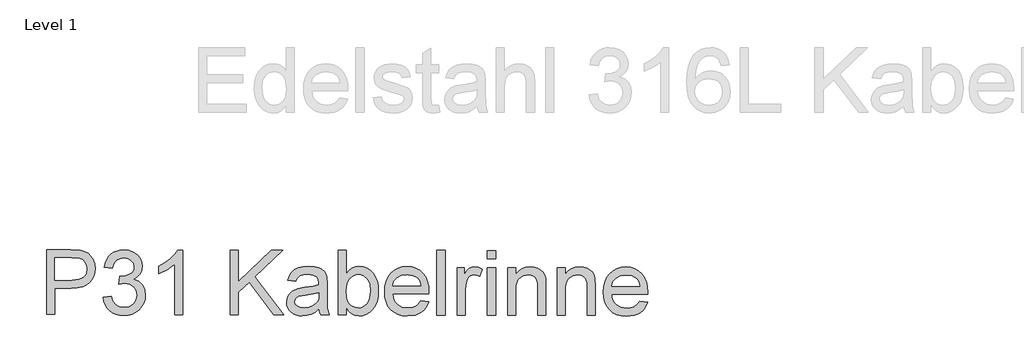
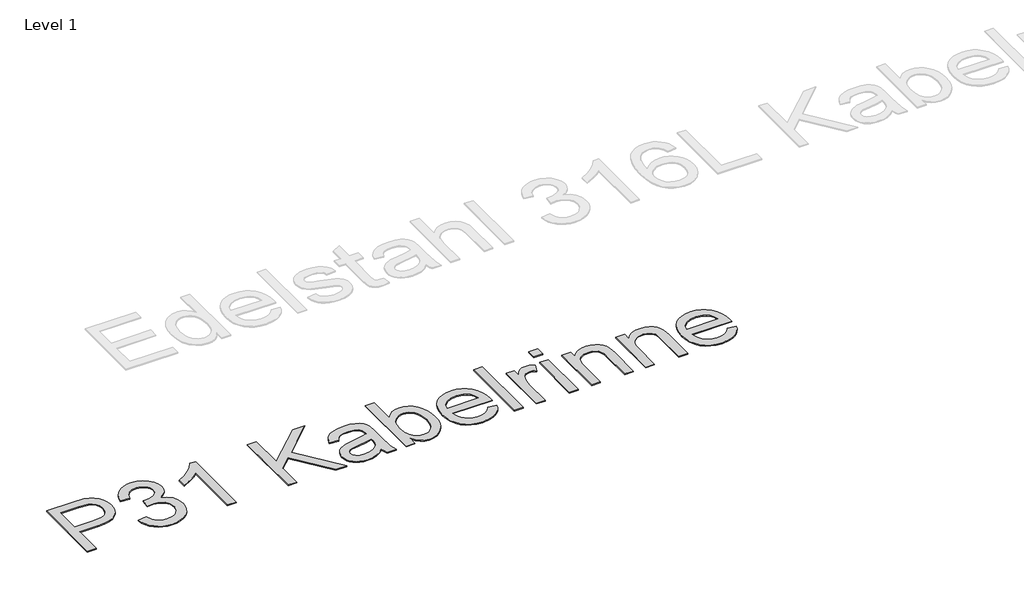
# One storey, part 11 of 15: 1 proxy.
"""IFC4 building model written with IfcOpenShell, lengths in millimetres."""

import ifcopenshell
import ifcopenshell.guid

model = None  # the IFC model being written
_history = None  # IfcOwnerHistory: only IFC2X3 demands one
_inside = {}  # id of a spatial element -> (the spatial element, [elements in it])
_under = {}  # id of a project, library or spatial element -> (it, [spatial elements below it])
_declared = {}  # id of a project -> (the project, [libraries it declares])
_typed = {}  # id of a type object -> (the type object, [elements of that type])
_made_of = {}  # id of a material, layer set ... -> (it, [elements and type objects made of it])


def new_model(schema):
    """Start an empty IFC model of exactly this schema.

    Asked for "IFC4X3", IfcOpenShell would pick the latest addendum, in which some entities
    have other attributes; the version numbers below select the first issue.
    IFC2X3 requires an IfcOwnerHistory on every rooted entity: one is made here for all.
    """
    global model, _history
    if schema == "IFC4X3":
        model = ifcopenshell.file(schema_version=(4, 3, 0, 0))
    else:
        model = ifcopenshell.file(schema=schema)
    _inside.clear()
    _under.clear()
    _declared.clear()
    _typed.clear()
    _made_of.clear()
    _history = None
    if model.schema == "IFC2X3":
        org = make("IfcOrganization", Name="unknown")
        user = make(
            "IfcPersonAndOrganization",
            ThePerson=make("IfcPerson", FamilyName="unknown"),
            TheOrganization=org,
        )
        app = make(
            "IfcApplication",
            ApplicationDeveloper=org,
            Version="unknown",
            ApplicationFullName="unknown",
            ApplicationIdentifier="unknown",
        )
        _history = make(
            "IfcOwnerHistory",
            OwningUser=user,
            OwningApplication=app,
            ChangeAction="ADDED",
            CreationDate=0,
        )
    return model


def make(cls, **values):
    """One entity of the class cls with the attributes given. An attribute that is None is left unset."""
    return model.create_entity(
        cls, **{name: value for name, value in values.items() if value is not None}
    )


def rooted(cls, **values):
    """An entity with a GlobalId (a new one), such as an element, a storey or a relation."""
    return make(cls, GlobalId=ifcopenshell.guid.new(), OwnerHistory=_history, **values)


def si_unit(unit_type, name, prefix=None):
    """IfcSIUnit, for example si_unit("LENGTHUNIT", "METRE", prefix="MILLI")."""
    return make("IfcSIUnit", UnitType=unit_type, Prefix=prefix, Name=name)


def assignment(units):
    """IfcUnitAssignment: the units of a project."""
    return None if units is None else make("IfcUnitAssignment", Units=units)


def point(xyz):
    """IfcCartesianPoint."""
    return None if xyz is None else make("IfcCartesianPoint", Coordinates=xyz)


def direction(xyz):
    """IfcDirection."""
    return None if xyz is None else make("IfcDirection", DirectionRatios=xyz)


def frame(location, z_axis=None, x_axis=None):
    """IfcAxis2Placement3D, a coordinate frame: its origin and axes. An axis left out is left unset."""
    return make(
        "IfcAxis2Placement3D",
        Location=point(location),
        Axis=direction(z_axis),
        RefDirection=direction(x_axis),
    )


def origin():
    """The frame at (0, 0, 0) with its axes left unset."""
    return frame((0.0, 0.0, 0.0))


def origin_with_axes():
    """The frame at (0, 0, 0) with the z axis (0, 0, 1) and the x axis (1, 0, 0) written out."""
    return frame((0.0, 0.0, 0.0), z_axis=(0.0, 0.0, 1.0), x_axis=(1.0, 0.0, 0.0))


def place(relative_to, where):
    """IfcLocalPlacement: puts the frame where relative to a parent placement (None: the world)."""
    return make(
        "IfcLocalPlacement", PlacementRelTo=relative_to, RelativePlacement=where
    )


def context(
    kind, dimensions, precision=None, world=None, true_north=None, identifier=None
):
    """IfcGeometricRepresentationContext, for example the 3D "Model" context."""
    return make(
        "IfcGeometricRepresentationContext",
        ContextIdentifier=identifier,
        ContextType=kind,
        CoordinateSpaceDimension=dimensions,
        Precision=precision,
        WorldCoordinateSystem=world,
        TrueNorth=true_north,
    )


def project(units=None, contexts=None):
    """IfcProject with its units and contexts."""
    return rooted(
        "IfcProject",
        Name="project",
        RepresentationContexts=contexts,
        UnitsInContext=assignment(units),
    )


def spatial(cls, under=None, at=None, **own):
    """A site, building, storey or space (cls), placed at a placement, below another one or the project."""
    s = rooted(cls, ObjectPlacement=at, **own)
    if under is not None:
        _under.setdefault(under.id(), (under, []))[1].append(s)
    return s


def polyline(points):
    """IfcPolyline through the points."""
    return make("IfcPolyline", Points=[point(p) for p in points])


def outline(outer, holes=None, kind="AREA"):
    """IfcArbitraryClosedProfileDef: a profile drawn as a closed curve; with holes, ...WithVoids."""
    if holes is None:
        return make("IfcArbitraryClosedProfileDef", ProfileType=kind, OuterCurve=outer)
    return make(
        "IfcArbitraryProfileDefWithVoids",
        ProfileType=kind,
        OuterCurve=outer,
        InnerCurves=holes,
    )


def extrude(swept, where, along, depth):
    """IfcExtrudedAreaSolid: the profile swept, set in the frame where, extruded along a direction by depth."""
    return make(
        "IfcExtrudedAreaSolid",
        SweptArea=swept,
        Position=where,
        ExtrudedDirection=direction(along),
        Depth=depth,
    )


def shape(context_of_items, identifier, shape_type, items):
    """IfcShapeRepresentation: the items that make up one representation, for example the "Body"."""
    return make(
        "IfcShapeRepresentation",
        ContextOfItems=context_of_items,
        RepresentationIdentifier=identifier,
        RepresentationType=shape_type,
        Items=items,
    )


def made_of(thing, what):
    """Note that an element or type object is made of a material, layer set ...; save() writes the relation."""
    if what is not None:
        _made_of.setdefault(what.id(), (what, []))[1].append(thing)
    return thing


def element(
    cls,
    number,
    at=None,
    inside=None,
    cuts=None,
    type_object=None,
    material=None,
    context=None,
    identifier="Body",
    shape_type=None,
    held_by="IfcProductDefinitionShape",
    body=None,
    shapes=None,
    **own,
):
    """One element of the class cls, such as IfcWall. Its Tag is "e" and its number.

    at: its placement. inside: the storey or other place that contains it. cuts: it is an
    opening in that element (IfcRelVoidsElement). A single representation is given by context,
    identifier, shape_type and body (its items); several are given by shapes. held_by: the class
    of the entity that holds the representations. save() writes the other relations.
    """
    e = rooted(cls, Tag="e%d" % number, ObjectPlacement=at, **own)
    if body is not None:
        shapes = [shape(context, identifier, shape_type, body)]
    if shapes is not None:
        e.Representation = make(held_by, Representations=shapes)
    if inside is not None:
        _inside.setdefault(inside.id(), (inside, []))[1].append(e)
    if cuts is not None:
        rooted(
            "IfcRelVoidsElement", RelatingBuildingElement=cuts, RelatedOpeningElement=e
        )
    if type_object is not None:
        _typed.setdefault(type_object.id(), (type_object, []))[1].append(e)
    return made_of(e, material)


def aggregate(whole, parts):
    """IfcRelAggregates: a whole, such as a stair, and the parts it consists of."""
    return rooted("IfcRelAggregates", RelatingObject=whole, RelatedObjects=parts)


def save(model, path):
    """Write the relations noted so far, then the file.

    IfcRelAggregates (storeys below a building ...), IfcRelContainedInSpatialStructure (elements
    in a storey), IfcRelDefinesByType, IfcRelAssociatesMaterial and IfcRelDeclares: one each for
    every whole, place, type object, material and project.
    """
    for whole, parts in _under.values():
        aggregate(whole, parts)
    for where, things in _inside.values():
        rooted(
            "IfcRelContainedInSpatialStructure",
            RelatedElements=things,
            RelatingStructure=where,
        )
    for kind, things in _typed.values():
        rooted("IfcRelDefinesByType", RelatedObjects=things, RelatingType=kind)
    for what, things in _made_of.values():
        rooted("IfcRelAssociatesMaterial", RelatedObjects=things, RelatingMaterial=what)
    for by, libraries in _declared.values():
        rooted("IfcRelDeclares", RelatingContext=by, RelatedDefinitions=libraries)
    model.write(path)


model = new_model("IFC4")

# Units and contexts
model_context = context("Model", 3, world=origin())
ifc_project = project(units=[si_unit("LENGTHUNIT", "METRE", prefix="MILLI")], contexts=[model_context])

# Site, building, storey
site = spatial("IfcSite", under=ifc_project)
building = spatial("IfcBuilding", under=site)
storey = spatial("IfcBuildingStorey", under=building, Name="Level 1", Elevation=0.0)

# Proxy
placement = place(None, origin())
element("IfcBuildingElementProxy", 1, Name="400mm", ObjectType="400mm", at=placement, inside=storey, context=model_context, shape_type="SweptSolid", body=[
    extrude(outline(polyline([(3051.8919159, -26643.3869998), (3051.8919159, -26251.5863859), (3197.777761, -26251.5863859), (3256.3051073, -26255.6797667), (3282.3914769, -26262.6963468), (3303.8552311, -26274.080401), (3321.1258501, -26290.3467823), (3334.6328144, -26312.0103434), (3343.3387052, -26337.5508845), (3346.2061038, -26365.4482058), (3344.1935567, -26389.4931283), (3338.2451135, -26411.606195), (3328.3607741, -26431.787406), (3314.5405385, -26450.0367611), (3295.5850242, -26465.1505929), (3270.2948487, -26475.9252336), (3238.670012, -26482.3606833), (3200.7105141, -26484.456942), (3101.1453315, -26484.456942), (3101.1453315, -26643.4306608), (3051.8919159, -26643.3869998)]), holes=[polyline([(3101.3527212, -26435.3097796), (3203.6671497, -26435.3097796), (3247.097445, -26431.0746115), (3263.2951759, -26425.4844047), (3275.8146289, -26417.6400027), (3285.1635386, -26407.7515323), (3291.8496394, -26396.0291204), (3297.2334148, -26367.082472), (3294.128352, -26345.0787941), (3284.7285703, -26326.5070788), (3270.2036596, -26312.5171408), (3251.7232096, -26304.2587948), (3202.7595597, -26300.8239403), (3101.4727889, -26300.8239403), (3101.3527212, -26435.3097796)])]), origin_with_axes(), (0.0, 0.0, 1.0), 5.0),
    extrude(outline(polyline([(3394.8648089, -26539.8941521), (3443.8453433, -26533.8602717), (3454.7536377, -26564.6532097), (3470.7727864, -26585.4604537), (3492.6899744, -26597.3354924), (3521.2923871, -26601.3318147), (3554.8730352, -26595.963893), (3568.8013047, -26589.203977), (3580.8215378, -26579.7267575), (3597.4351439, -26555.4627834), (3603.0111022, -26526.0143462), (3597.5853602, -26498.0407299), (3581.1989816, -26475.3319047), (3556.3583946, -26460.2595315), (3525.5700277, -26455.1952707), (3491.2243572, -26460.4900951), (3496.7633751, -26411.5301974), (3504.6051423, -26412.1180453), (3533.9501418, -26408.6554525), (3560.1992537, -26398.1574985), (3571.0092659, -26390.2024487), (3578.7381343, -26380.3529338), (3583.3858589, -26368.6089538), (3584.9524398, -26354.9705088), (3580.5188058, -26333.813303), (3567.1353572, -26316.6332789), (3546.6878609, -26305.2271259), (3521.062084, -26301.3915332), (3495.374905, -26305.1714918), (3474.3606276, -26316.6113104), (3458.9996005, -26335.7127371), (3450.2721726, -26362.4775201), (3401.3134688, -26356.2689957), (3407.1595401, -26332.9004177), (3415.8101804, -26312.322475), (3427.2653897, -26294.5351675), (3441.5251679, -26279.5384952), (3458.1406306, -26267.6425011), (3476.6628931, -26259.1572278), (3497.0919555, -26254.0826755), (3519.4278178, -26252.4188442), (3550.2071712, -26255.8332282), (3578.4638941, -26265.9621114), (3602.274754, -26281.9054008), (3619.7165187, -26302.7630036), (3630.3977914, -26326.7767618), (3633.9271754, -26352.1885171), (3630.4896097, -26375.8542999), (3620.2652577, -26397.3081665), (3603.3993333, -26415.5700239), (3580.0370503, -26429.6597791), (3610.6687978, -26442.1003111), (3633.3465909, -26463.230272), (3647.3551477, -26491.9006573), (3651.9791864, -26526.9624623), (3649.591613, -26551.8017576), (3642.5209904, -26574.6719982), (3630.7673185, -26595.5731842), (3614.3305973, -26614.5053156), (3594.3189678, -26630.2030842), (3571.8405713, -26641.4011818), (3546.8954077, -26648.0996083), (3519.4834769, -26650.2983639), (3494.7151577, -26648.3353377), (3472.1534889, -26642.5385273), (3451.7984706, -26632.9079326), (3433.6501027, -26619.4435535), (3418.4422399, -26602.9357626), (3406.9087366, -26584.174932), (3399.049593, -26563.1610619), (3394.8648089, -26539.8941521)])), origin_with_axes(), (0.0, 0.0, 1.0), 5.0),
    extrude(outline(polyline([(3878.6035264, -26644.8168974), (3829.2846193, -26644.8168974), (3829.2846193, -26339.4346062), (3809.3556739, -26355.9325707), (3783.3828552, -26372.3968176), (3731.7867665, -26397.0288098), (3731.7867665, -26350.7372167), (3770.367379, -26329.883721), (3803.7316692, -26305.0518409), (3830.0450443, -26278.6292603), (3847.3903645, -26253.0036627), (3878.9528144, -26253.0036627), (3878.6035264, -26644.8168974)])), origin_with_axes(), (0.0, 0.0, 1.0), 5.0),
    extrude(outline(polyline([(4165.9507508, -26645.373575), (4165.9507508, -26253.5729611), (4215.6189458, -26253.5729611), (4215.6189458, -26445.4260767), (4416.4708992, -26254.0184397), (4484.9518509, -26254.0184397), (4316.0446464, -26414.9040109), (4490.3744774, -26645.9084222), (4430.5014665, -26645.9084222), (4281.266941, -26447.9348514), (4215.1605053, -26510.7507834), (4215.1605053, -26645.417236), (4165.9507508, -26645.373575)])), origin_with_axes(), (0.0, 0.0, 1.0), 5.0),
    extrude(outline(polyline([(4704.6820525, -26609.5632415), (4681.249418, -26629.582805), (4657.135731, -26642.6669573), (4631.7891636, -26649.8667996), (4604.657888, -26652.2334327), (4582.8566836, -26650.7419625), (4563.7446635, -26646.3500982), (4547.3218276, -26639.0578401), (4533.588176, -26628.8651879), (4522.7517782, -26616.4181105), (4515.0207038, -26602.3625763), (4510.3949528, -26586.6985855), (4508.8745252, -26569.4261381), (4511.2539973, -26549.1299227), (4518.3166894, -26530.7071182), (4529.1884446, -26514.9452295), (4542.9951065, -26502.6317615), (4577.3120568, -26486.6247477), (4619.695387, -26479.33573), (4669.7787243, -26471.6778666), (4704.6570871, -26462.6538725), (4704.9634612, -26451.7509924), (4701.6309886, -26429.8903751), (4691.5421554, -26415.5735932), (4668.9413308, -26404.9167975), (4637.4330133, -26401.3217809), (4608.2574584, -26403.6249912), (4587.8727322, -26410.6543487), (4573.9571706, -26423.6969086), (4564.1891093, -26444.0397263), (4515.2304054, -26437.8312019), (4523.7785012, -26411.0660992), (4536.5007797, -26390.0470853), (4554.5822397, -26373.9872095), (4579.2078802, -26362.0995212), (4609.3129818, -26354.7646982), (4643.8328252, -26352.3634182), (4676.9336511, -26354.5983462), (4703.1642752, -26361.1728296), (4722.9330809, -26371.0235559), (4736.6484518, -26383.087213), (4745.7319806, -26397.9880224), (4751.60526, -26416.3502056), (4753.919948, -26459.2028861), (4753.919948, -26520.1279786), (4756.1463407, -26605.2075617), (4765.8285849, -26646.3996084), (4716.8589658, -26646.3996084), (4709.0465333, -26629.2737071), (4704.6820525, -26609.5632415)]), holes=[polyline([(4704.8566965, -26511.6240033), (4671.9406942, -26519.7189667), (4625.8281517, -26526.499203), (4583.6829076, -26534.3625097), (4572.7100598, -26539.7707453), (4564.5789477, -26547.2403962), (4559.5416597, -26556.1980473), (4557.8502841, -26566.0702837), (4561.4707371, -26580.6385526), (4572.3887191, -26592.5896218), (4590.3675082, -26600.5840519), (4615.1703828, -26603.2824036), (4641.4776474, -26600.4002141), (4664.7347571, -26591.654385), (4683.5996715, -26578.7402058), (4696.7303504, -26563.352966), (4702.5690219, -26547.4864583), (4704.5450353, -26525.4918408), (4704.8566965, -26511.6240033)])]), origin_with_axes(), (0.0, 0.0, 1.0), 5.0),
    extrude(outline(polyline([(4869.9298724, -26646.5851676), (4820.9194064, -26646.5851676), (4820.9194064, -26254.7408927), (4870.5876014, -26254.7408927), (4870.5876014, -26400.1111276), (4886.4694924, -26379.4269864), (4904.6801495, -26364.664514), (4924.9605062, -26355.8237105), (4947.3105625, -26352.9045757), (4972.5318573, -26355.615629), (4996.3568089, -26363.6563505), (5017.4233889, -26376.52218), (5034.3695686, -26393.7085571), (5047.6379991, -26415.048894), (5057.6713312, -26440.376603), (5063.9693111, -26468.638707), (5066.0316851, -26498.782229), (5063.7788281, -26533.5567944), (5057.1517516, -26564.1391309), (5046.1504558, -26590.5292383), (5030.7749405, -26612.7271166), (5012.335087, -26630.310681), (4992.1407764, -26642.8578465), (4970.1920087, -26650.3686133), (4946.4887839, -26652.8429811), (4923.4145306, -26649.5559141), (4902.970102, -26639.7816938), (4885.1554983, -26623.5203202), (4869.9707193, -26600.7717935), (4869.9298724, -26646.5851676)]), holes=[polyline([(4870.1491154, -26500.7283919), (4873.4238228, -26541.5742584), (4883.4171313, -26569.2332207), (4895.2560023, -26584.3601204), (4909.0274006, -26595.1745264), (4924.7313263, -26601.6764389), (4942.3677793, -26603.8658578), (4957.0160696, -26602.3018954), (4970.64186, -26597.5559437), (4994.8259412, -26578.5180722), (5004.5174068, -26564.2544955), (5011.4527223, -26546.8656155), (5017.0549028, -26502.711946), (5011.8385312, -26457.8933874), (5005.2491214, -26440.5341902), (4996.0055624, -26426.5417143), (4972.6415745, -26408.0646533), (4959.2925403, -26403.4319999), (4944.8321458, -26401.8699311), (4930.1838554, -26403.4338934), (4916.558065, -26408.1798452), (4892.3739838, -26427.2177167), (4882.682774, -26441.3378277), (4875.748226, -26458.2963106), (4870.1491154, -26500.7283919)])]), origin_with_axes(), (0.0, 0.0, 1.0), 5.0),
    extrude(outline(polyline([(5322.4369531, -26561.6950392), (5370.4392191, -26567.9018581), (5363.043345, -26587.11911), (5353.0751382, -26604.0482723), (5340.5345989, -26618.6893449), (5325.4217269, -26631.0423279), (5307.8924124, -26640.844478), (5288.1025457, -26647.833052), (5241.7411554, -26653.3694713), (5211.3606421, -26650.8913172), (5184.3004398, -26643.571124), (5160.5605483, -26631.4088916), (5140.1409678, -26614.4046201), (5123.7342736, -26593.0317871), (5112.033041, -26567.7638704), (5105.0372701, -26538.6008698), (5102.7469609, -26505.5427856), (5105.1810623, -26471.3722966), (5112.3542595, -26441.2631767), (5124.2665526, -26415.2154259), (5140.9179416, -26393.2290441), (5161.3451687, -26375.7745564), (5184.5849763, -26363.3224879), (5210.6373643, -26355.8728385), (5239.5023328, -26353.4256083), (5267.4288625, -26355.9681306), (5292.6744541, -26363.4913206), (5315.2391073, -26375.9951783), (5335.1228223, -26393.4797036), (5351.3401039, -26415.4768743), (5362.905457, -26441.5186681), (5369.8188816, -26471.6050851), (5372.0803777, -26505.7361251), (5371.7699103, -26518.9344561), (5151.6935556, -26518.9344561), (5154.4951461, -26538.088298), (5160.1046227, -26555.2126154), (5168.5219856, -26569.9149709), (5179.7472348, -26582.1953646), (5208.1358471, -26598.8163257), (5242.7849153, -26604.4015577), (5268.8524096, -26601.8895615), (5290.8163454, -26594.2532889), (5308.6775757, -26581.0145212), (5322.4369531, -26561.6950392)]), holes=[polyline([(5151.7808776, -26469.5723997), (5323.1745445, -26469.5723997), (5316.5973462, -26443.9945716), (5303.6467037, -26425.4643464), (5290.3103477, -26415.3979356), (5275.1277323, -26408.1975553), (5239.2237232, -26402.3948863), (5206.206496, -26406.9149713), (5178.8876548, -26420.6031393), (5159.8761364, -26441.9815592), (5151.7808776, -26469.5723997)])]), origin_with_axes(), (0.0, 0.0, 1.0), 5.0),
    extrude(outline(polyline([(5420.7972406, -26647.6112009), (5420.7972406, -26255.810587), (5470.4654356, -26255.810587), (5470.4654356, -26647.6548619), (5420.7972406, -26647.6112009)])), origin_with_axes(), (0.0, 0.0, 1.0), 5.0),
    extrude(outline(polyline([(5543.2212883, -26647.8295059), (5543.2212883, -26360.0893326), (5586.5827217, -26360.0893326), (5586.5827217, -26402.7272247), (5602.3798755, -26378.0793537), (5616.9914768, -26363.567507), (5631.6376397, -26356.4920501), (5647.6143733, -26354.1533483), (5671.9968023, -26357.9747684), (5696.748333, -26369.3527298), (5680.3149625, -26413.224064), (5663.1125117, -26405.6614166), (5645.9011069, -26403.1200681), (5631.2752565, -26405.5090008), (5618.1950049, -26412.7307162), (5607.6177705, -26424.236968), (5600.5009719, -26439.47951), (5594.4983686, -26466.8230164), (5592.4605482, -26496.6603391), (5592.4605482, -26647.8731669), (5543.2212883, -26647.8295059)])), origin_with_axes(), (0.0, 0.0, 1.0), 5.0),
    extrude(outline(polyline([(5726.85736, -26648.1569633), (5726.85736, -26360.4167901), (5776.3399958, -26360.4167901), (5776.3399958, -26648.2006243), (5726.85736, -26648.1569633)])), origin_with_axes(), (0.0, 0.0, 1.0), 5.0),
    extrude(outline(polyline([(5727.4686139, -26305.3696295), (5727.4686139, -26256.3563494), (5776.525555, -26256.3563494), (5776.525555, -26305.4132905), (5727.4686139, -26305.3696295)])), origin_with_axes(), (0.0, 0.0, 1.0), 5.0),
    extrude(outline(polyline([(5849.2814078, -26648.3752683), (5849.2814078, -26360.635095), (5898.7640436, -26360.635095), (5898.7640436, -26400.8928077), (5915.7411651, -26380.6705724), (5936.1988649, -26366.2408835), (5960.0655119, -26357.6037409), (5987.3411059, -26354.7591446), (6011.4750496, -26357.1335047), (6033.5682484, -26364.1668752), (6051.9843588, -26374.9835859), (6065.0870372, -26388.7079665), (6073.9642957, -26405.3060906), (6079.7041462, -26424.744032), (6082.2021058, -26472.0923116), (6082.2021058, -26648.7463868), (6032.9174795, -26648.7463868), (6032.9174795, -26478.6044109), (6031.8551262, -26453.2802026), (6027.6549948, -26435.2677127), (6019.8710737, -26422.3538357), (6007.754112, -26412.3254658), (5992.2114893, -26405.8776408), (5974.1505851, -26403.7053983), (5945.4608342, -26408.4603547), (5920.9861805, -26422.8350586), (5911.1945814, -26434.5877993), (5904.1868893, -26450.6614439), (5899.9631042, -26471.0559924), (5898.5232259, -26495.7714447), (5898.5232259, -26648.4189293), (5849.2814078, -26648.3752683)])), origin_with_axes(), (0.0, 0.0, 1.0), 5.0),
    extrude(outline(polyline([(6149.2203249, -26648.9101155), (6149.2203249, -26361.1699422), (6198.7029607, -26361.1699422), (6198.7029607, -26401.4276549), (6215.6800821, -26381.2054196), (6236.137782, -26366.7757307), (6260.004429, -26358.1385881), (6287.280023, -26355.2939918), (6311.4139666, -26357.6683519), (6333.5071655, -26364.7017223), (6351.9232759, -26375.518433), (6365.0259543, -26389.2428137), (6373.9032127, -26405.8409378), (6379.6430633, -26425.2788791), (6382.1410229, -26472.6271587), (6382.1410229, -26649.2812339), (6332.8563966, -26649.2812339), (6332.8563966, -26479.1392581), (6331.7940432, -26453.8150497), (6327.5939118, -26435.8025599), (6319.8099907, -26422.8886829), (6307.6930291, -26412.860313), (6292.1504064, -26406.412488), (6274.0895021, -26404.2402454), (6245.3997512, -26408.9952019), (6220.9250976, -26423.3699058), (6211.1334985, -26435.1226465), (6204.1258064, -26451.1962911), (6199.9020212, -26471.5908396), (6198.462143, -26496.3062919), (6198.462143, -26648.9537765), (6149.2203249, -26648.9101155)])), origin_with_axes(), (0.0, 0.0, 1.0), 5.0),
    extrude(outline(polyline([(6650.7378715, -26564.0636481), (6698.7401375, -26570.270467), (6691.3442634, -26589.4877189), (6681.3760567, -26606.4168812), (6668.8355173, -26621.0579538), (6653.7226453, -26633.4109368), (6636.1933309, -26643.2130869), (6616.4034642, -26650.2016609), (6570.0420739, -26655.7380802), (6539.6615606, -26653.2599261), (6512.6013582, -26645.9397329), (6488.8614668, -26633.7775005), (6468.4418863, -26616.773229), (6452.0351921, -26595.400396), (6440.3339595, -26570.1324792), (6433.3381886, -26540.9694787), (6431.0478793, -26507.9113944), (6433.4819807, -26473.7409055), (6440.655178, -26443.6317856), (6452.5674711, -26417.5840347), (6469.2188601, -26395.597653), (6489.6460872, -26378.1431653), (6512.8858947, -26365.6910968), (6538.9382828, -26358.2414474), (6567.8032512, -26355.7942172), (6595.729781, -26358.3367395), (6620.9753725, -26365.8599295), (6643.5400258, -26378.3637872), (6663.4237408, -26395.8483125), (6679.6410224, -26417.8454832), (6691.2063755, -26443.887277), (6698.1198001, -26473.973694), (6700.3812961, -26508.104734), (6700.0708288, -26521.303065), (6479.9944741, -26521.303065), (6482.7960645, -26540.4569069), (6488.4055412, -26557.5812243), (6496.8229041, -26572.2835798), (6508.0481532, -26584.5639735), (6536.4367656, -26601.1849345), (6571.0858337, -26606.7701666), (6597.153328, -26604.2581704), (6619.1172639, -26596.6218978), (6636.9784942, -26583.3831301), (6650.7378715, -26564.0636481)]), holes=[polyline([(6480.0817961, -26471.9410086), (6651.475463, -26471.9410086), (6644.8982647, -26446.3631804), (6631.9476221, -26427.8329553), (6618.6112662, -26417.7665445), (6603.4286508, -26410.5661642), (6567.5246417, -26404.7634952), (6534.5074144, -26409.2835802), (6507.1885733, -26422.9717482), (6488.1770549, -26444.3501681), (6480.0817961, -26471.9410086)])]), origin_with_axes(), (0.0, 0.0, 1.0), 5.0),
])

save(model, "model.ifc")
